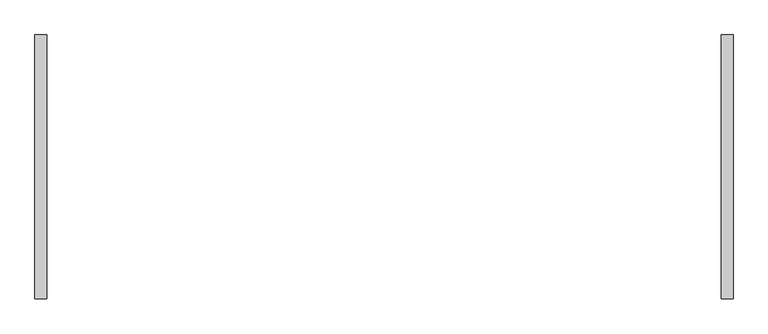
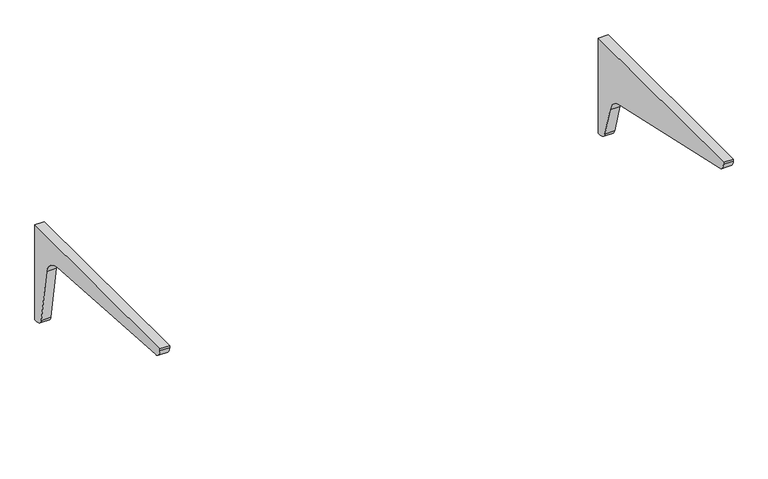
"""IFC4 building model written with IfcOpenShell, lengths in millimetres: furniture geometry."""

from ifc_helpers import new_model, si_unit, point, frame, frame_2d, origin, place, context, project, spatial, polyline, circle_curve, trimmed, segment, composite_curve, outline, extrude, source, transform, mapped, element, save


def furniture_06c239f1(model_context):
    return source(origin(), model_context, "Body", "SweptSolid", [
        extrude(outline(composite_curve([segment(polyline([(177.8, 882.65), (177.8, 615.95), (168.7371495, 615.95)]), True, "CONTINUOUS"), segment(trimmed(circle_curve(frame_2d((168.7371495, 637.5967769)), 21.6467769), [point((168.7371495, 615.95))], [point((147.9289321, 631.6301165))], False, "CARTESIAN"), True, "CONTINUOUS"), segment(polyline([(147.9289321, 631.6301165), (124.3411705, 713.890416)]), True, "CONTINUOUS"), segment(trimmed(circle_curve(frame_2d((69.4050646, 698.137741)), 57.15), [point((124.3411705, 713.890416))], [point((75.1946456, 754.993728))], True, "CARTESIAN"), True, "CONTINUOUS"), segment(polyline([(75.1946456, 754.993728), (-376.8509719, 855.0329963)]), True, "CONTINUOUS"), segment(trimmed(circle_curve(frame_2d((-374.593772, 877.1995967)), 22.281228), [point((-376.8509719, 855.0329963))], [point((-396.875, 877.1995967))], False, "CARTESIAN"), True, "CONTINUOUS"), segment(polyline([(-396.875, 877.1995967), (-396.875, 882.65), (177.8, 882.65)]), True, "CONTINUOUS")], self_intersect=False)), frame((735.0125, 0.0, 0.0), z_axis=(1.0, 0.0, 0.0), x_axis=(0.0, 1.0, 0.0)), (0.0, 0.0, 1.0), 25.4),
        extrude(outline(composite_curve([segment(polyline([(177.8, 882.65), (177.8, 615.95), (168.7371495, 615.95)]), True, "CONTINUOUS"), segment(trimmed(circle_curve(frame_2d((168.7371495, 637.5967769)), 21.6467769), [point((168.7371495, 615.95))], [point((147.928932, 631.6301166))], False, "CARTESIAN"), True, "CONTINUOUS"), segment(polyline([(147.928932, 631.6301166), (124.3411706, 783.7404159)]), True, "CONTINUOUS"), segment(trimmed(circle_curve(frame_2d((69.4050646, 767.987741)), 57.15), [point((124.3411706, 783.7404159))], [point((75.1946456, 824.843728))], True, "CARTESIAN"), True, "CONTINUOUS"), segment(polyline([(75.1946456, 824.843728), (-376.8509719, 855.0329963)]), True, "CONTINUOUS"), segment(trimmed(circle_curve(frame_2d((-374.593772, 877.1995967)), 22.281228), [point((-376.8509719, 855.0329963))], [point((-396.875, 877.1995967))], False, "CARTESIAN"), True, "CONTINUOUS"), segment(polyline([(-396.875, 877.1995967), (-396.875, 882.65), (177.8, 882.65)]), True, "CONTINUOUS")], self_intersect=False)), frame((-760.4125, 0.0, 0.0), z_axis=(1.0, 0.0, 0.0), x_axis=(0.0, 1.0, 0.0)), (0.0, 0.0, 1.0), 25.4),
    ])


if __name__ == "__main__":
    model = new_model("IFC4")
    model_context = context("Model", 3, world=origin())
    ifc_project = project(units=[si_unit("LENGTHUNIT", "METRE", prefix="MILLI")], contexts=[model_context])
    site = spatial("IfcSite", under=ifc_project)
    building = spatial("IfcBuilding", under=site)
    placement = place(None, origin())
    furniture_shape = furniture_06c239f1(model_context)
    element("IfcFurniture", 1, at=placement, inside=building, context=model_context, shape_type="MappedRepresentation", body=[
        mapped(furniture_shape, transform((0.0, 0.0, 0.0), x_axis=(1.0, 0.0, 0.0), y_axis=(0.0, 1.0, 0.0), z_axis=(0.0, 0.0, 1.0))),
    ])
    save(model, "model.ifc")
